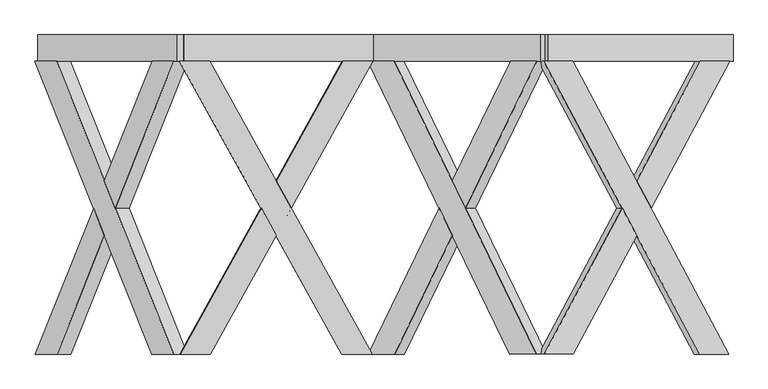
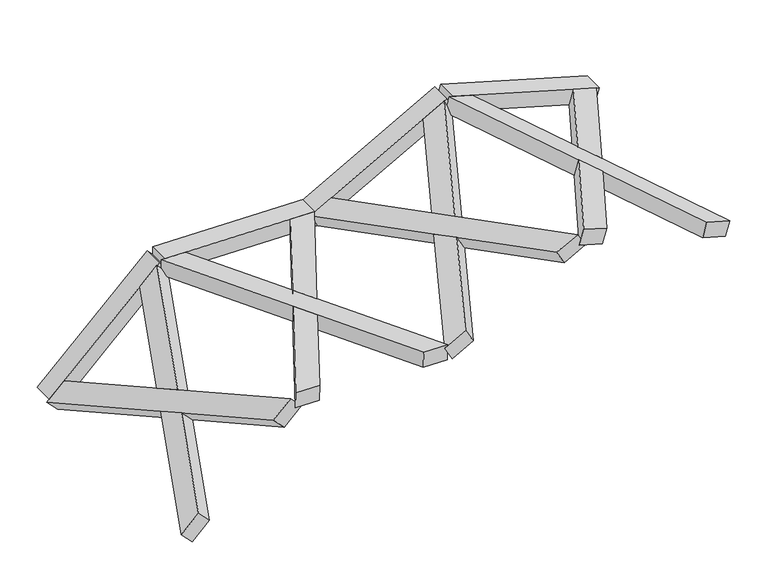
"""IFC4 building model written with IfcOpenShell, lengths in millimetres: proxy geometry."""

from ifc_helpers import new_model, si_unit, frame, origin, place, context, project, spatial, polyline, outline, extrude, faceted_brep, source, transform, mapped, element, save


def generic_models_f2b44ad3(model_context):
    return source(origin(), model_context, "Body", "SolidModel", [
        faceted_brep([(5142.7178602, -100.0, 1229.7625591), (3959.9903052, -2319.6837757, 1568.9042281), (3740.1778112, -2319.6837757, 1631.9344466), (4922.9053662, -100.0, 1292.7927775), (3781.5234145, -2319.6837757, 1776.1237009), (4001.3359086, -2319.6837757, 1713.0934825), (4480.5145047, -1420.3854116, 1575.6912312), (4370.6082577, -1214.1188776, 1607.2063404), (5184.0634636, -100.0, 1373.9518135), (4964.2509695, -100.0, 1436.9820319), (4480.5145047, -1007.8523437, 1575.6912312), (4590.4207517, -1214.1188776, 1544.176122), (4349.935456, -1214.1188776, 1535.1117132), (4459.841703, -1007.8523437, 1503.596604), (4569.74795, -1214.1188776, 1472.0814948), (4459.841703, -1420.3854116, 1503.596604)], [[[0, 1, 2, 3]], [[4, 5, 6, 7]], [[8, 9, 10, 11]], [[0, 3, 9, 8]], [[3, 2, 4, 7, 12, 13, 10, 9]], [[2, 1, 5, 4]], [[1, 0, 8, 11, 14, 15, 6, 5]], [[12, 15, 14, 13]], [[13, 14, 11, 10]], [[15, 12, 7, 6]]]),
        faceted_brep([(3735.6199424, -100.0, 1633.2413944), (3955.4324365, -100.0, 1570.211176), (4439.1689013, -1007.8523437, 1431.5019768), (4329.2626543, -1214.1188776, 1463.017086), (5138.1599915, -2319.6837757, 1231.069507), (4918.3474974, -2319.6837757, 1294.0997254), (4439.1689013, -1420.3854116, 1431.5019768), (4549.0751484, -1214.1188776, 1399.9868676), (3776.9655458, -100.0, 1777.4306488), (4959.6931008, -2319.6837757, 1438.2889798), (5179.5055949, -2319.6837757, 1375.2587614), (3996.7780398, -100.0, 1714.4004304), (4569.74795, -1214.1188776, 1472.0814948), (4459.841703, -1007.8523437, 1503.596604), (4349.935456, -1214.1188776, 1535.1117132), (4459.841703, -1420.3854116, 1503.596604)], [[[0, 1, 2, 3]], [[4, 5, 6, 7]], [[8, 9, 10, 11]], [[1, 0, 8, 11]], [[11, 10, 4, 7, 12, 13, 2, 1]], [[5, 4, 10, 9]], [[9, 8, 0, 3, 14, 15, 6, 5]], [[12, 15, 14, 13]], [[13, 14, 3, 2]], [[15, 12, 7, 6]]]),
        extrude(outline(polyline([(0.0, -200.0), (0.0, 0.0), (1459.9999999, 0.0), (1459.9999999, -200.0), (0.0, -200.0)])), frame((5169.7277902, -100.0, 1222.0175863), z_axis=(0.2756373558170015, 0.0, 0.9612616959383182), x_axis=(-0.9612616959383182, 0.0, 0.2756373558170015)), (0.0, 0.0, 1.0), 150.0),
        faceted_brep([(3798.7438099, -100.0, 1617.3238931), (2722.6197615, -2319.6837757, 1020.8185926), (2522.6197615, -2319.6837757, 909.9567823), (3598.7438099, -100.0, 1506.4620828), (2449.8983185, -2319.6837757, 1041.1497384), (2649.8983185, -2319.6837757, 1152.0115487), (3085.8868169, -1420.3854116, 1393.6839197), (2985.8868169, -1214.1188776, 1338.2530145), (3726.0223669, -100.0, 1748.5168492), (3526.0223669, -100.0, 1637.6550389), (3085.8868169, -1007.8523437, 1393.6839197), (3185.8868169, -1214.1188776, 1449.1148248), (3022.2475384, -1214.1188776, 1272.6565365), (3122.2475384, -1007.8523437, 1328.0874416), (3222.2475384, -1214.1188776, 1383.5183468), (3122.2475384, -1420.3854116, 1328.0874416)], [[[0, 1, 2, 3]], [[4, 5, 6, 7]], [[8, 9, 10, 11]], [[0, 3, 9, 8]], [[3, 2, 4, 7, 12, 13, 10, 9]], [[2, 1, 5, 4]], [[1, 0, 8, 11, 14, 15, 6, 5]], [[12, 15, 14, 13]], [[13, 14, 11, 10]], [[15, 12, 7, 6]]]),
        faceted_brep([(2518.47271, -100.0, 907.6580341), (2718.47271, -100.0, 1018.5198444), (3158.6082599, -1007.8523437, 1262.4909636), (3058.6082599, -1214.1188776, 1207.0600585), (3794.5967583, -2319.6837757, 1615.0251449), (3594.5967583, -2319.6837757, 1504.1633346), (3158.6082599, -1420.3854116, 1262.4909636), (3258.6082599, -1214.1188776, 1317.9218688), (2445.7512669, -100.0, 1038.8509902), (3521.8753153, -2319.6837757, 1635.3562907), (3721.8753153, -2319.6837757, 1746.218101), (2645.7512669, -100.0, 1149.7128005), (3222.2475384, -1214.1188776, 1383.5183468), (3122.2475384, -1007.8523437, 1328.0874416), (3022.2475384, -1214.1188776, 1272.6565365), (3122.2475384, -1420.3854116, 1328.0874416)], [[[0, 1, 2, 3]], [[4, 5, 6, 7]], [[8, 9, 10, 11]], [[1, 0, 8, 11]], [[11, 10, 4, 7, 12, 13, 2, 1]], [[5, 4, 10, 9]], [[9, 8, 0, 3, 14, 15, 6, 5]], [[12, 15, 14, 13]], [[13, 14, 3, 2]], [[15, 12, 7, 6]]]),
        extrude(outline(polyline([(0.0, -200.0), (0.0, 0.0), (1460.0000001, 0.0), (1460.0000001, -200.0), (0.0, -200.0)])), frame((3823.3192374, -100.0, 1630.946275), z_axis=(-0.48480962024633434, 0.0, 0.8746197071393973), x_axis=(-0.8746197071393973, 0.0, -0.48480962024633434)), (0.0, 0.0, 1.0), 150.0),
        faceted_brep([(2480.6106775, -100.0, 914.2225153), (1250.4072637, -2319.6837757, 935.6957958), (1021.7712778, -2319.6837757, 939.6866517), (2251.9746916, -100.0, 918.2133713), (1024.3891388, -2319.6837757, 1089.663806), (1253.0251247, -2319.6837757, 1085.67295), (1751.4384256, -1420.3854116, 1076.9731135), (1637.1204326, -1214.1188776, 1078.9685415), (2483.2285385, -100.0, 1064.1996696), (2254.5925526, -100.0, 1068.1905255), (1751.4384256, -1007.8523437, 1076.9731135), (1865.7564185, -1214.1188776, 1074.9776855), (1635.8115022, -1214.1188776, 1003.9799644), (1750.1294951, -1007.8523437, 1001.9845364), (1864.4474881, -1214.1188776, 999.9891084), (1750.1294951, -1420.3854116, 1001.9845364)], [[[0, 1, 2, 3]], [[4, 5, 6, 7]], [[8, 9, 10, 11]], [[0, 3, 9, 8]], [[3, 2, 4, 7, 12, 13, 10, 9]], [[2, 1, 5, 4]], [[1, 0, 8, 11, 14, 15, 6, 5]], [[12, 15, 14, 13]], [[13, 14, 11, 10]], [[15, 12, 7, 6]]]),
        faceted_brep([(1017.0304517, -100.0, 939.7694032), (1245.6664376, -100.0, 935.7785472), (1748.8205646, -1007.8523437, 926.9959592), (1634.5025717, -1214.1188776, 928.9913872), (2475.8698514, -2319.6837757, 914.3052667), (2247.2338655, -2319.6837757, 918.2961227), (1748.8205646, -1420.3854116, 926.9959592), (1863.1385576, -1214.1188776, 925.0005312), (1019.6483127, -100.0, 1089.7465574), (2249.8517265, -2319.6837757, 1068.273277), (2478.4877124, -2319.6837757, 1064.282421), (1248.2842986, -100.0, 1085.7557015), (1864.4474881, -1214.1188776, 999.9891084), (1750.1294951, -1007.8523437, 1001.9845364), (1635.8115022, -1214.1188776, 1003.9799644), (1750.1294951, -1420.3854116, 1001.9845364)], [[[0, 1, 2, 3]], [[4, 5, 6, 7]], [[8, 9, 10, 11]], [[1, 0, 8, 11]], [[11, 10, 4, 7, 12, 13, 2, 1]], [[5, 4, 10, 9]], [[9, 8, 0, 3, 14, 15, 6, 5]], [[12, 15, 14, 13]], [[13, 14, 3, 2]], [[15, 12, 7, 6]]]),
        extrude(outline(polyline([(0.0, -200.0), (0.0, 0.0), (1460.0, 0.0), (1460.0, -200.0), (0.0, -200.0)])), frame((2508.7048129, -100.0, 913.7321303), z_axis=(0.017452406437283293, 0.0, 0.9998476951563913), x_axis=(-0.9998476951563913, 0.0, 0.017452406437283293)), (0.0, 0.0, 1.0), 150.0),
        faceted_brep([(1082.1231781, -100.0, 940.7319367), (197.0540997, -2319.6837757, 86.0306628), (32.5620824, -2319.6837757, -72.8174319), (917.6311607, -100.0, 781.883842), (-71.6366732, -2319.6837757, 35.0835381), (92.8553442, -2319.6837757, 193.9316329), (451.4384825, -1420.3854116, 540.2113443), (369.1924738, -1214.1188776, 460.787297), (977.9244225, -100.0, 1048.6329068), (813.4324051, -100.0, 889.784812), (451.4384825, -1007.8523437, 540.2113443), (533.6844911, -1214.1188776, 619.6353917), (421.2918515, -1214.1188776, 406.836812), (503.5378602, -1007.8523437, 486.2608593), (585.7838689, -1214.1188776, 565.6849067), (503.5378602, -1420.3854116, 486.2608593)], [[[0, 1, 2, 3]], [[4, 5, 6, 7]], [[8, 9, 10, 11]], [[0, 3, 9, 8]], [[3, 2, 4, 7, 12, 13, 10, 9]], [[2, 1, 5, 4]], [[1, 0, 8, 11, 14, 15, 6, 5]], [[12, 15, 14, 13]], [[13, 14, 11, 10]], [[15, 12, 7, 6]]]),
        faceted_brep([(29.151298, -100.0, -76.1111881), (193.6433153, -100.0, 82.7369066), (555.637238, -1007.8523437, 432.3103743), (473.3912293, -1214.1188776, 352.8863269), (1078.7123937, -2319.6837757, 937.4381805), (914.2203763, -2319.6837757, 778.5900858), (555.637238, -1420.3854116, 432.3103743), (637.8832467, -1214.1188776, 511.7344217), (-75.0474576, -100.0, 31.7897819), (810.0216207, -2319.6837757, 886.4910558), (974.5136381, -2319.6837757, 1045.3391506), (89.4445598, -100.0, 190.6378767), (585.7838689, -1214.1188776, 565.6849067), (503.5378602, -1007.8523437, 486.2608593), (421.2918515, -1214.1188776, 406.836812), (503.5378602, -1420.3854116, 486.2608593)], [[[0, 1, 2, 3]], [[4, 5, 6, 7]], [[8, 9, 10, 11]], [[1, 0, 8, 11]], [[11, 10, 4, 7, 12, 13, 2, 1]], [[5, 4, 10, 9]], [[9, 8, 0, 3, 14, 15, 6, 5]], [[12, 15, 14, 13]], [[13, 14, 3, 2]], [[15, 12, 7, 6]]]),
        extrude(outline(polyline([(0.0, -200.0), (0.0, 0.0), (1460.0, 0.0), (1460.0, -200.0), (0.0, -200.0)])), frame((1102.3354863, -100.0, 960.2507358), z_axis=(-0.6946583704589968, 0.0, 0.7193398003386516), x_axis=(-0.7193398003386516, 0.0, -0.6946583704589968)), (0.0, 0.0, 1.0), 150.0),
    ])


if __name__ == "__main__":
    model = new_model("IFC4")
    model_context = context("Model", 3, world=origin())
    ifc_project = project(units=[si_unit("LENGTHUNIT", "METRE", prefix="MILLI")], contexts=[model_context])
    site = spatial("IfcSite", under=ifc_project)
    building = spatial("IfcBuilding", under=site)
    placement = place(None, origin())
    generic_models_shape = generic_models_f2b44ad3(model_context)
    element("IfcBuildingElementProxy", 1, Name="Generic Models", at=placement, inside=building, context=model_context, shape_type="MappedRepresentation", body=[
        mapped(generic_models_shape, transform((0.0, 0.0, 0.0), x_axis=(1.0, 0.0, 0.0), y_axis=(0.0, 1.0, 0.0), z_axis=(0.0, 0.0, 1.0))),
    ])
    save(model, "model.ifc")
